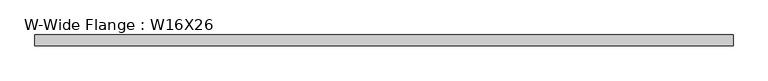
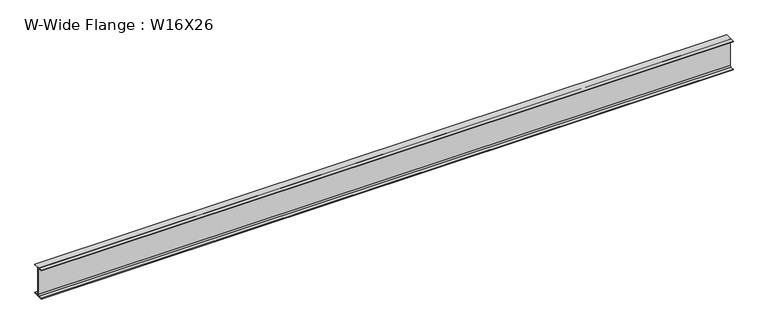
"""IFC4 building model written with IfcOpenShell, lengths in millimetres: beam geometry, W-Wide Flange : W16X26."""

from ifc_helpers import new_model, si_unit, point, frame, frame_2d, origin, place, context, project, spatial, polyline, circle_curve, trimmed, segment, composite_curve, outline, extrude, source, transform, mapped, element, save


def w_wide_flange_w16x26_ebb4d3a7(model_context):
    return source(origin(), model_context, "Body", "SweptSolid", [
        extrude(outline(composite_curve([segment(polyline([(69.85, -190.5496094), (69.85, -199.2808594), (-69.85, -199.2808594), (-69.85, -190.5496094), (-21.43125, -190.5496094)]), True, "CONTINUOUS"), segment(trimmed(circle_curve(frame_2d((-21.43125, -172.2933594)), 18.25625), [point((-21.43125, -190.5496094))], [point((-3.175, -172.2933594))], True, "CARTESIAN"), True, "CONTINUOUS"), segment(polyline([(-3.175, -172.2933594), (-3.175, 172.2933594)]), True, "CONTINUOUS"), segment(trimmed(circle_curve(frame_2d((-21.43125, 172.2933594)), 18.25625), [point((-3.175, 172.2933594))], [point((-21.43125, 190.5496094))], True, "CARTESIAN"), True, "CONTINUOUS"), segment(polyline([(-21.43125, 190.5496094), (-69.85, 190.5496094), (-69.85, 199.2808594), (69.85, 199.2808594), (69.85, 190.5496094), (21.43125, 190.5496094)]), True, "CONTINUOUS"), segment(trimmed(circle_curve(frame_2d((21.43125, 172.2933594)), 18.25625), [point((21.43125, 190.5496094))], [point((3.175, 172.2933594))], True, "CARTESIAN"), True, "CONTINUOUS"), segment(polyline([(3.175, 172.2933594), (3.175, -172.2933594)]), True, "CONTINUOUS"), segment(trimmed(circle_curve(frame_2d((21.43125, -172.2933594)), 18.25625), [point((3.175, -172.2933594))], [point((21.43125, -190.5496094))], True, "CARTESIAN"), True, "CONTINUOUS"), segment(polyline([(21.43125, -190.5496094), (69.85, -190.5496094)]), True, "CONTINUOUS")], self_intersect=False)), frame((-4508.5, 0.0, 0.0), z_axis=(1.0, 0.0, 0.0), x_axis=(0.0, 1.0, 0.0)), (0.0, 0.0, 1.0), 9036.05),
    ])


if __name__ == "__main__":
    model = new_model("IFC4")
    model_context = context("Model", 3, world=origin())
    ifc_project = project(units=[si_unit("LENGTHUNIT", "METRE", prefix="MILLI")], contexts=[model_context])
    site = spatial("IfcSite", under=ifc_project)
    building = spatial("IfcBuilding", under=site)
    placement = place(None, origin())
    w_wide_flange_w16x26_shape = w_wide_flange_w16x26_ebb4d3a7(model_context)
    element("IfcBeam", 1, ObjectType="W-Wide Flange : W16X26", at=placement, inside=building, context=model_context, shape_type="MappedRepresentation", body=[
        mapped(w_wide_flange_w16x26_shape, transform((0.0, 0.0, 0.0), x_axis=(1.0, 0.0, 0.0), y_axis=(0.0, 1.0, 0.0), z_axis=(0.0, 0.0, 1.0))),
    ])
    save(model, "model.ifc")
